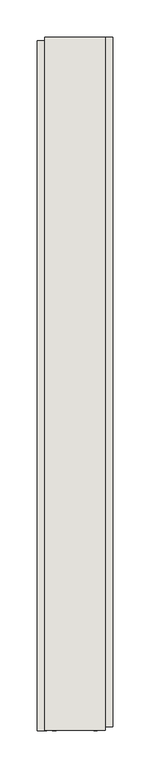
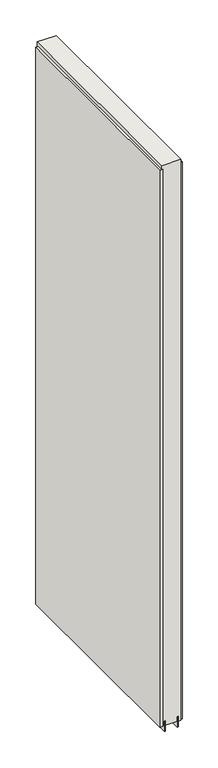
"""IFC4 building model written with IfcOpenShell, lengths in millimetres: wall geometry."""

from ifc_helpers import new_model, si_unit, frame, origin, place, context, project, spatial, polyline, outline, extrude, source, transform, mapped, element, save


def wall_6316a4b2(model_context):
    return source(origin(), model_context, "Body", "SweptSolid", [
        extrude(outline(polyline([(64721.142211, -39614.3869382), (64721.142211, -39611.8469382), (64723.682211, -39611.8469382), (64723.682211, -39614.3869382), (64721.142211, -39614.3869382)])), frame((0.0, 0.0, 4419.6), z_axis=(0.0, 0.0, 1.0), x_axis=(1.0, 0.0, 0.0)), (0.0, 0.0, 1.0), 2.54),
        extrude(outline(polyline([(64773.212211, -39611.384455), (64773.212211, -40539.7914374), (64760.512211, -40539.7914374), (64760.512211, -39611.384455), (64773.212211, -39611.384455)])), frame((0.0, 0.0, 4445.0), z_axis=(0.0, 0.0, 1.0), x_axis=(1.0, 0.0, 0.0)), (0.0, 0.0, 1.0), 2545.0498756),
        extrude(outline(polyline([(64671.612211, -40544.7213742), (64671.612211, -39616.3143918), (64684.312211, -39616.3143918), (64684.312211, -40544.7213742), (64671.612211, -40544.7213742)])), frame((0.0, 0.0, 4445.0), z_axis=(0.0, 0.0, 1.0), x_axis=(1.0, 0.0, 0.0)), (0.0, 0.0, 1.0), 2545.0498756),
        extrude(outline(polyline([(64747.4959556, -40544.2663078), (64747.4959556, -39611.8581142), (64752.574711, -39611.8581142), (64752.574711, -40544.2663078), (64747.4959556, -40544.2663078)])), frame((0.0, 0.0, 4418.6602), z_axis=(0.0, 0.0, 1.0), x_axis=(1.0, 0.0, 0.0)), (0.0, 0.0, 1.0), 47.625),
        extrude(outline(polyline([(64747.4959556, -40544.2663078), (64747.4959556, -39611.8581142), (64752.574711, -39611.8581142), (64752.574711, -40544.2663078), (64747.4959556, -40544.2663078)])), frame((0.0, 0.0, 4418.6602), z_axis=(0.0, 0.0, 1.0), x_axis=(1.0, 0.0, 0.0)), (0.0, 0.0, 1.0), 47.625),
        extrude(outline(polyline([(64697.3284664, -39611.8581142), (64697.3284664, -40544.2663078), (64692.249711, -40544.2663078), (64692.249711, -39611.8581142), (64697.3284664, -39611.8581142)])), frame((0.0, 0.0, 4418.6602), z_axis=(0.0, 0.0, 1.0), x_axis=(1.0, 0.0, 0.0)), (0.0, 0.0, 1.0), 47.625),
        extrude(outline(polyline([(64697.3284664, -39611.8581142), (64697.3284664, -40544.2663078), (64692.249711, -40544.2663078), (64692.249711, -39611.8581142), (64697.3284664, -39611.8581142)])), frame((0.0, 0.0, 4418.6602), z_axis=(0.0, 0.0, 1.0), x_axis=(1.0, 0.0, 0.0)), (0.0, 0.0, 1.0), 47.625),
        extrude(outline(polyline([(64763.0670954, -40544.2663078), (64681.7573266, -40544.2663078), (64681.7573266, -39611.8581142), (64763.0670954, -39611.8581142), (64763.0670954, -40544.2663078)])), frame((0.0, 0.0, 4445.0), z_axis=(0.0, 0.0, 1.0), x_axis=(1.0, 0.0, 0.0)), (0.0, 0.0, 1.0), 2562.4536762),
    ])


if __name__ == "__main__":
    model = new_model("IFC4")
    model_context = context("Model", 3, world=origin())
    ifc_project = project(units=[si_unit("LENGTHUNIT", "METRE", prefix="MILLI")], contexts=[model_context])
    site = spatial("IfcSite", under=ifc_project)
    building = spatial("IfcBuilding", under=site)
    placement = place(None, origin())
    wall_shape = wall_6316a4b2(model_context)
    element("IfcWall", 1, at=placement, inside=building, context=model_context, shape_type="MappedRepresentation", body=[
        mapped(wall_shape, transform((0.0, 0.0, 0.0), x_axis=(1.0, 0.0, 0.0), y_axis=(0.0, 1.0, 0.0), z_axis=(0.0, 0.0, 1.0))),
    ])
    save(model, "model.ifc")
